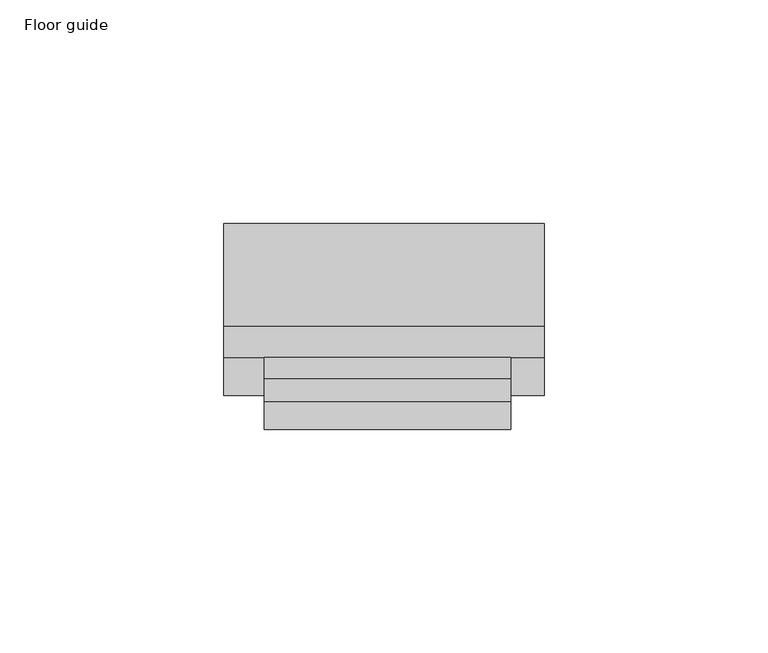
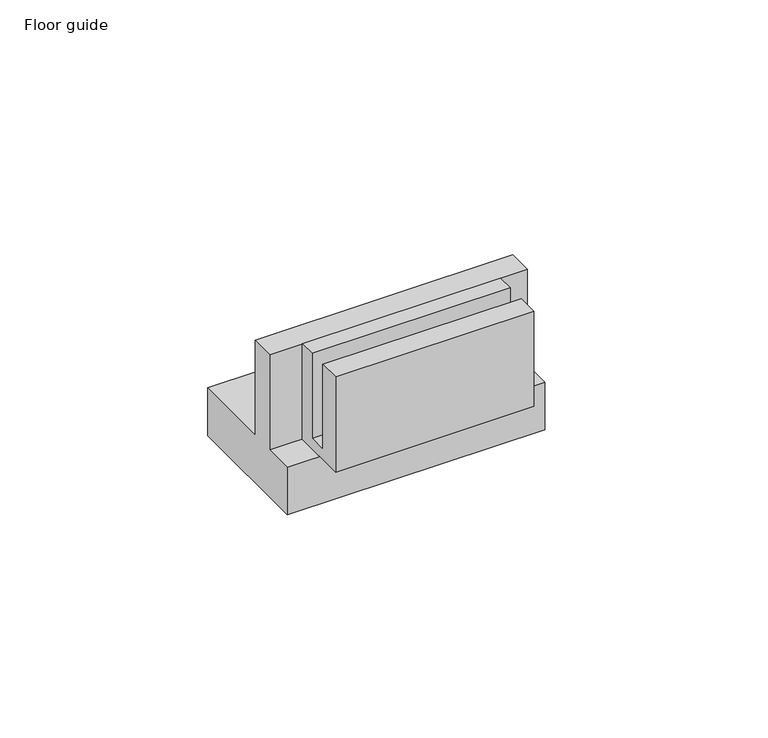
"""IFC4 building model written with IfcOpenShell, lengths in millimetres: proxy geometry, Floor guide."""

from ifc_helpers import new_model, si_unit, frame, origin, place, context, project, spatial, polyline, outline, extrude, source, transform, mapped, element, save


def floor_guide_5d0022e3(model_context):
    return source(origin(), model_context, "Body", "SweptSolid", [
        extrude(outline(polyline([(-34.6709531, 42.0), (-30.0, 42.0), (-30.0, 14.0), (-46.0, 14.0), (-46.0, 42.0), (-39.9343768, 42.0), (-39.9343768, 17.0662424), (-34.6709531, 17.0662424), (-34.6709531, 42.0)])), frame((-8.187635, 0.0, 0.0), z_axis=(1.0, 0.0, 0.0), x_axis=(0.0, 1.0, 0.0)), (0.0, 0.0, 1.0), 55.1239278),
        extrude(outline(polyline([(0.0, 14.0), (0.0, 0.0), (-38.5, 0.0), (-38.5, 14.0), (-30.0, 14.0), (-30.0, 42.0), (-23.0, 42.0), (-23.0, 14.0), (0.0, 14.0)])), frame((-17.25, 0.0, 0.0), z_axis=(1.0, 0.0, 0.0), x_axis=(0.0, 1.0, 0.0)), (0.0, 0.0, 1.0), 71.6541199),
    ])


if __name__ == "__main__":
    model = new_model("IFC4")
    model_context = context("Model", 3, world=origin())
    ifc_project = project(units=[si_unit("LENGTHUNIT", "METRE", prefix="MILLI")], contexts=[model_context])
    site = spatial("IfcSite", under=ifc_project)
    building = spatial("IfcBuilding", under=site)
    placement = place(None, origin())
    floor_guide_shape = floor_guide_5d0022e3(model_context)
    element("IfcBuildingElementProxy", 1, Name="Floor guide", ObjectType="Floor guide", at=placement, inside=building, context=model_context, shape_type="MappedRepresentation", body=[
        mapped(floor_guide_shape, transform((0.0, 0.0, 0.0), x_axis=(1.0, 0.0, 0.0), y_axis=(0.0, 1.0, 0.0), z_axis=(0.0, 0.0, 1.0))),
    ])
    save(model, "model.ifc")
